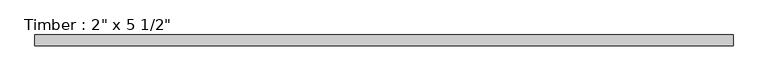
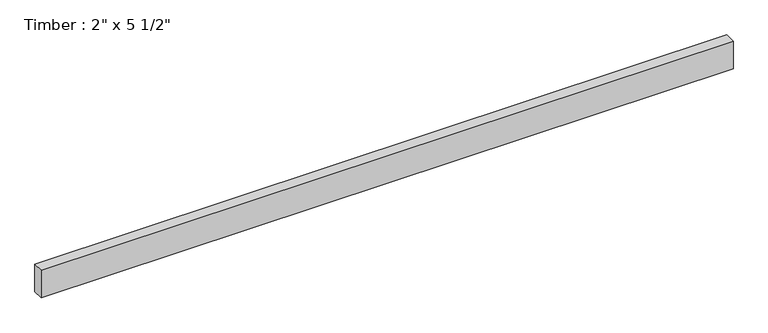
"""IFC4 building model written with IfcOpenShell, lengths in millimetres: beam geometry."""

from ifc_helpers import new_model, si_unit, frame, origin, place, context, project, spatial, polyline, outline, extrude, source, transform, mapped, element, save


def beam_bb07f4f6(model_context):
    return source(origin(), model_context, "Body", "SweptSolid", [
        extrude(outline(polyline([(1645.2949992, 25.4), (1645.2949992, -25.4), (-1646.5834192, -25.4), (-1646.5834192, 25.4), (1645.2949992, 25.4)])), frame((0.0, 0.0, -69.85), z_axis=(0.0, 0.0, 1.0), x_axis=(1.0, 0.0, 0.0)), (0.0, 0.0, 1.0), 139.7),
    ])


if __name__ == "__main__":
    model = new_model("IFC4")
    model_context = context("Model", 3, world=origin())
    ifc_project = project(units=[si_unit("LENGTHUNIT", "METRE", prefix="MILLI")], contexts=[model_context])
    site = spatial("IfcSite", under=ifc_project)
    building = spatial("IfcBuilding", under=site)
    placement = place(None, origin())
    beam_shape = beam_bb07f4f6(model_context)
    element("IfcBeam", 1, ObjectType="Timber : 2\" x 5 1/2\"", at=placement, inside=building, context=model_context, shape_type="MappedRepresentation", body=[
        mapped(beam_shape, transform((0.0, 0.0, 0.0), x_axis=(1.0, 0.0, 0.0), y_axis=(0.0, 1.0, 0.0), z_axis=(0.0, 0.0, 1.0))),
    ])
    save(model, "model.ifc")
